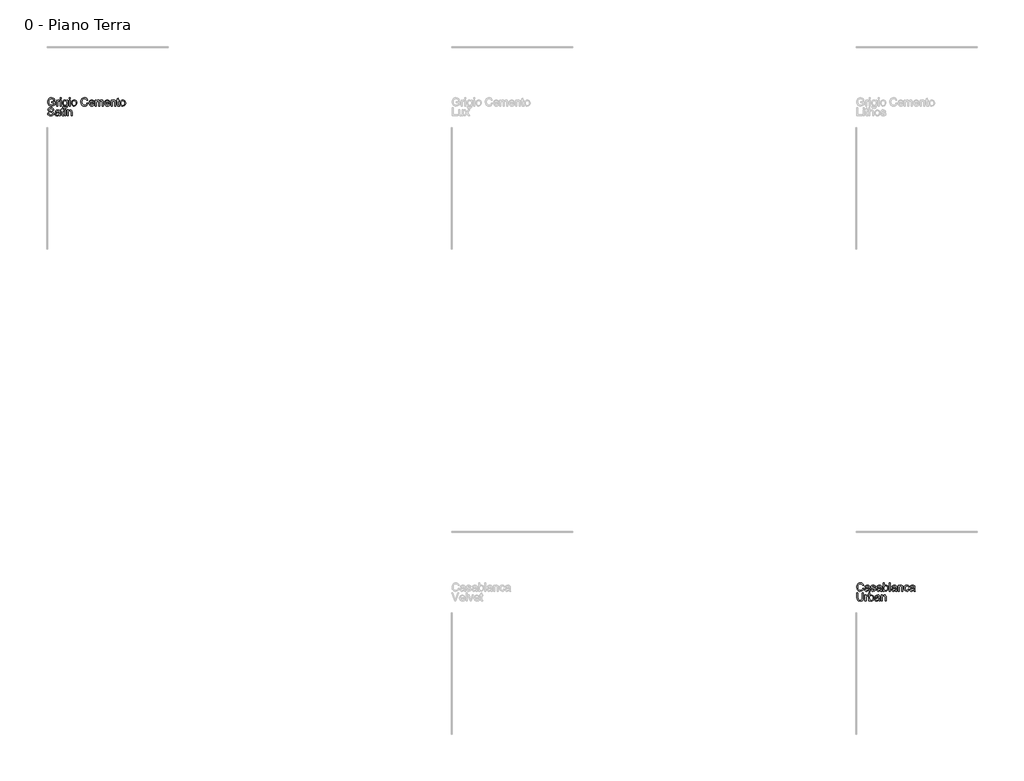
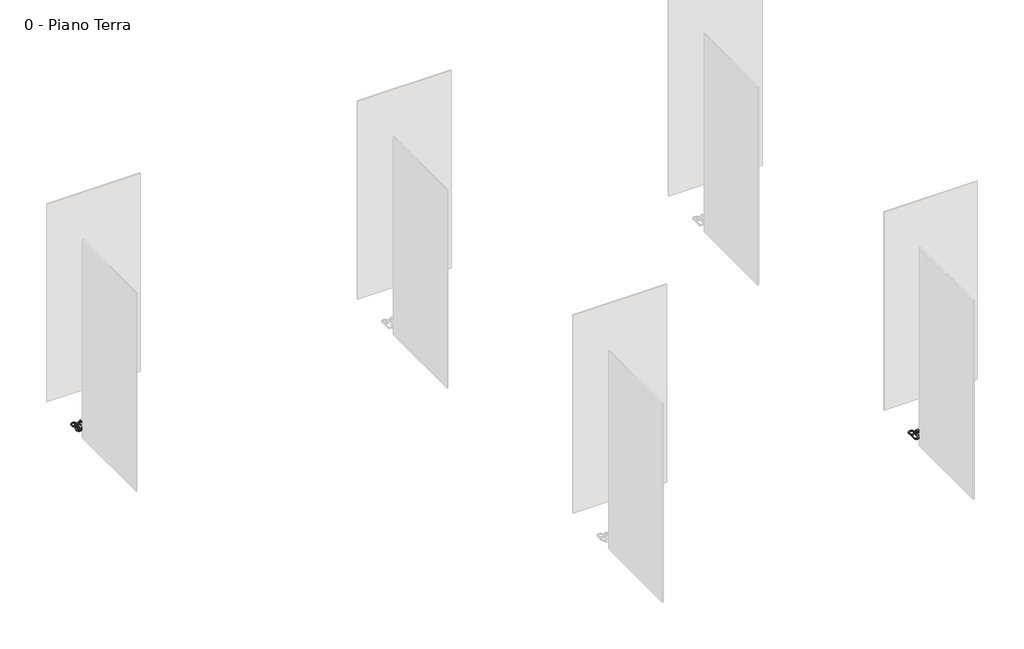
# One storey, part 20 of 35: 2 proxies.
"""IFC4 building model written with IfcOpenShell, lengths in millimetres."""

from ifc_helpers import new_model, si_unit, origin, origin_with_axes, place, context, project, spatial, polyline, outline, extrude, element, save

model = new_model("IFC4")

# Units and contexts
model_context = context("Model", 3, world=origin())
ifc_project = project(units=[si_unit("LENGTHUNIT", "METRE", prefix="MILLI")], contexts=[model_context])

# Site, building, storey
site = spatial("IfcSite", under=ifc_project)
building = spatial("IfcBuilding", under=site)
storey = spatial("IfcBuildingStorey", under=building, Name="0 - Piano Terra", Elevation=0.0)

# Proxies
placement = place(None, origin())
element("IfcBuildingElementProxy", 1, Name="Testo modello 1", ObjectType="Testo modello 1", at=placement, inside=storey, context=model_context, shape_type="SweptSolid", body=[
    extrude(outline(polyline([(2778.8181445, -60234.518489), (2778.8181445, -60221.9614502), (2819.6285205, -60221.9614502), (2819.6285205, -60259.5099392), (2799.4808499, -60271.3557394), (2778.1804823, -60275.328865), (2764.0936676, -60273.7500381), (2751.3618849, -60269.0135574), (2740.7852775, -60261.2849698), (2733.1639889, -60250.7298223), (2728.5562669, -60238.0685503), (2727.0203595, -60224.0215894), (2728.5501355, -60209.873461), (2733.1394634, -60196.7124826), (2740.5982708, -60185.6729571), (2750.7364855, -60177.8891872), (2763.0850578, -60173.2722682), (2777.1749382, -60171.7332952), (2796.8198368, -60175.3017505), (2810.5908861, -60185.2345644), (2818.1815179, -60201.8505678), (2806.6054978, -60205.1124549), (2800.8788014, -60193.4996465), (2791.0931404, -60186.8041942), (2776.9787345, -60184.2903339), (2760.9022913, -60187.000398), (2749.9639333, -60194.1127832), (2743.5014729, -60203.7880797), (2739.5773983, -60223.5065546), (2744.2985506, -60245.3955333), (2758.0328117, -60258.4921324), (2777.1749382, -60262.7718262), (2794.3550274, -60259.5467274), (2807.0714817, -60252.6673341), (2807.0714817, -60234.518489), (2778.8181445, -60234.518489)])), origin_with_axes(), (0.0, 0.0, 1.0), 10.0),
    extrude(outline(polyline([(2838.4640786, -60273.7592352), (2838.4640786, -60199.9866324), (2849.4514875, -60199.9866324), (2849.4514875, -60210.9004649), (2857.2505858, -60200.8450237), (2865.0987351, -60198.4170025), (2877.7048248, -60202.2920262), (2873.51097, -60213.5492153), (2864.6818021, -60210.9740413), (2857.5816796, -60213.4511134), (2853.0567311, -60220.318244), (2851.0211174, -60234.9844729), (2851.0211174, -60273.7592352), (2838.4640786, -60273.7592352)])), origin_with_axes(), (0.0, 0.0, 1.0), 10.0),
    extrude(outline(polyline([(2885.552974, -60185.8599638), (2885.552974, -60173.302925), (2898.1100128, -60173.302925), (2898.1100128, -60185.8599638), (2885.552974, -60185.8599638)])), origin_with_axes(), (0.0, 0.0, 1.0), 10.0),
    extrude(outline(polyline([(2885.552974, -60273.7592352), (2885.552974, -60199.9866324), (2898.1100128, -60199.9866324), (2898.1100128, -60273.7592352), (2885.552974, -60273.7592352)])), origin_with_axes(), (0.0, 0.0, 1.0), 10.0),
    extrude(outline(polyline([(2913.8063112, -60280.0377545), (2926.36335, -60281.6073844), (2930.4345774, -60288.2292603), (2942.6237342, -60291.0251635), (2955.4750785, -60287.8613783), (2961.6064451, -60278.9831595), (2962.4648365, -60264.3414561), (2953.6234058, -60271.4047904), (2942.8444634, -60273.7592352), (2929.8980828, -60271.0185143), (2920.2442461, -60262.7963517), (2914.2385726, -60250.742085), (2912.2366814, -60236.5050518), (2915.8296622, -60217.0440942), (2926.2284599, -60203.2730449), (2942.2313267, -60198.4170025), (2953.4333335, -60201.1638548), (2962.4648365, -60209.4044115), (2962.4648365, -60199.9866324), (2975.0218752, -60199.9866324), (2975.0218752, -60263.6792685), (2971.5883099, -60288.0698448), (2960.7112656, -60299.4128729), (2942.3784795, -60303.5822022), (2930.6951605, -60302.1137399), (2921.4950449, -60297.708353), (2915.5936046, -60290.3537788), (2913.8063112, -60280.0377545)]), holes=[polyline([(2924.7937201, -60235.6466605), (2926.1334237, -60247.1644326), (2930.1525345, -60255.0830925), (2936.1949963, -60259.6724204), (2943.6047528, -60261.2021964), (2950.9593271, -60259.6816175), (2957.0324457, -60255.1198807), (2961.1067388, -60247.3023883), (2962.4648365, -60236.0145424), (2961.0668849, -60225.1283011), (2956.8730301, -60217.2893489), (2950.7110067, -60212.5528682), (2943.4085491, -60210.9740413), (2936.2379159, -60212.5283427), (2930.2261109, -60217.191247), (2926.1518178, -60224.9137032), (2924.7937201, -60235.6466605)])]), origin_with_axes(), (0.0, 0.0, 1.0), 10.0),
    extrude(outline(polyline([(2993.8574334, -60185.8599638), (2993.8574334, -60173.302925), (3006.4144721, -60173.302925), (3006.4144721, -60185.8599638), (2993.8574334, -60185.8599638)])), origin_with_axes(), (0.0, 0.0, 1.0), 10.0),
    extrude(outline(polyline([(2993.8574334, -60273.7592352), (2993.8574334, -60199.9866324), (3006.4144721, -60199.9866324), (3006.4144721, -60273.7592352), (2993.8574334, -60273.7592352)])), origin_with_axes(), (0.0, 0.0, 1.0), 10.0),
    extrude(outline(polyline([(3022.1107706, -60236.8729338), (3024.826966, -60219.0858393), (3032.9755522, -60206.5839828), (3043.0432561, -60200.4587476), (3055.0975228, -60198.4170025), (3068.289158, -60200.9032717), (3078.8259115, -60208.3620791), (3085.732896, -60220.2048137), (3088.0352241, -60235.8428642), (3083.9639967, -60258.185564), (3072.1059337, -60270.8284419), (3055.0975228, -60275.328865), (3041.7464721, -60272.8517929), (3031.2219813, -60265.4205766), (3024.3885733, -60253.3295217), (3022.1107706, -60236.8729338)]), holes=[polyline([(3034.6678094, -60236.8484083), (3036.1209433, -60248.2128963), (3040.4803449, -60256.3093658), (3047.0409071, -60261.1562111), (3055.0975228, -60262.7718262), (3063.1173503, -60261.1470141), (3069.6656498, -60256.2725776), (3074.0250515, -60248.0688092), (3075.4781854, -60236.4560008), (3074.0158544, -60225.4226067), (3069.6288616, -60217.4365017), (3063.0713651, -60212.5896564), (3055.0975228, -60210.9740413), (3047.0409071, -60212.583525), (3040.4803449, -60217.4119762), (3036.1209433, -60225.4900517), (3034.6678094, -60236.8484083)])]), origin_with_axes(), (0.0, 0.0, 1.0), 10.0),
    extrude(outline(polyline([(3213.6056118, -60238.0501562), (3226.1626506, -60241.2875177), (3220.3685092, -60255.9200241), (3211.2756925, -60266.6100617), (3199.3317904, -60273.1491642), (3184.9843926, -60275.328865), (3170.4193313, -60273.6795274), (3158.8525082, -60268.7315146), (3149.9865521, -60260.6565048), (3143.5240917, -60249.6261763), (3138.2633792, -60222.7707906), (3139.7502356, -60208.1229558), (3144.2108048, -60195.4739466), (3151.4120949, -60185.2253673), (3161.1211138, -60177.7788226), (3172.6358203, -60173.244677), (3185.2541727, -60171.7332952), (3199.0221564, -60173.6892011), (3210.4050385, -60179.5569189), (3219.0471997, -60188.974698), (3224.5930207, -60201.5807877), (3212.035982, -60204.5728946), (3201.7352861, -60189.1341135), (3184.7636634, -60184.2903339), (3165.1187649, -60189.6614111), (3154.0209913, -60204.0823853), (3150.820418, -60222.7462652), (3154.6096025, -60244.3777265), (3166.4063518, -60258.1978268), (3183.7335938, -60262.7718262), (3194.215165, -60261.2144591), (3202.9492967, -60256.5423578), (3209.5435815, -60248.8045731), (3213.6056118, -60238.0501562)])), origin_with_axes(), (0.0, 0.0, 1.0), 10.0),
    extrude(outline(polyline([(3293.5095812, -60251.7844173), (3305.8213653, -60253.3540472), (3301.3853216, -60262.6308048), (3294.3066588, -60269.5653804), (3284.7447926, -60273.8879938), (3272.8591385, -60275.328865), (3258.1254646, -60272.8425958), (3246.7885678, -60265.3837884), (3239.5596866, -60253.4368206), (3237.1500595, -60237.4860704), (3239.5842121, -60220.9988257), (3246.8866697, -60208.6686475), (3258.0702823, -60200.9799138), (3272.1479, -60198.4170025), (3285.787125, -60200.9737824), (3296.6856291, -60208.644122), (3303.8317368, -60220.9497747), (3306.2137727, -60237.412494), (3306.1401963, -60240.7970084), (3249.7070983, -60240.7970084), (3251.8806677, -60250.1963934), (3256.9298481, -60257.1064435), (3264.2169773, -60261.3554805), (3273.1043932, -60262.7718262), (3285.4161773, -60260.1476013), (3293.5095812, -60251.7844173)]), holes=[polyline([(3249.7070983, -60228.2399696), (3293.656734, -60228.2399696), (3288.6290134, -60216.8601532), (3281.3081617, -60212.4455693), (3272.0988491, -60210.9740413), (3256.6355425, -60215.6706681), (3251.7703031, -60221.1613069), (3249.7070983, -60228.2399696)])]), origin_with_axes(), (0.0, 0.0, 1.0), 10.0),
    extrude(outline(polyline([(3318.7708115, -60273.7592352), (3318.7708115, -60199.9866324), (3331.3278503, -60199.9866324), (3331.3278503, -60212.1267382), (3339.9608144, -60202.1816616), (3352.2480731, -60198.4170025), (3364.8296373, -60202.255238), (3371.7458188, -60213.009655), (3381.5437426, -60202.0651657), (3393.9168404, -60198.4170025), (3403.3560793, -60199.9345158), (3410.3366401, -60204.4870555), (3414.6500565, -60212.1972489), (3416.087862, -60223.1877235), (3416.087862, -60273.7592352), (3403.5308232, -60273.7592352), (3403.5308232, -60228.5833261), (3402.3658635, -60218.0986893), (3398.1474833, -60212.9360786), (3390.9737844, -60210.9740413), (3378.6252121, -60216.0017619), (3374.9371951, -60222.5439301), (3373.7078561, -60232.1149933), (3373.7078561, -60273.7592352), (3361.1508174, -60273.7592352), (3361.1508174, -60227.1853746), (3358.2445496, -60215.0207433), (3348.7164059, -60210.9740413), (3339.4212542, -60213.6718426), (3333.2408367, -60221.5690428), (3331.3278503, -60236.5541027), (3331.3278503, -60273.7592352), (3318.7708115, -60273.7592352)])), origin_with_axes(), (0.0, 0.0, 1.0), 10.0),
    extrude(outline(polyline([(3486.5740522, -60251.7844173), (3498.8858364, -60253.3540472), (3494.4497926, -60262.6308048), (3487.3711299, -60269.5653804), (3477.8092637, -60273.8879938), (3465.9236096, -60275.328865), (3451.1899357, -60272.8425958), (3439.8530389, -60265.3837884), (3432.6241577, -60253.4368206), (3430.2145306, -60237.4860704), (3432.6486831, -60220.9988257), (3439.9511407, -60208.6686475), (3451.1347534, -60200.9799138), (3465.2123711, -60198.4170025), (3478.851596, -60200.9737824), (3489.7501001, -60208.644122), (3496.8962079, -60220.9497747), (3499.2782438, -60237.412494), (3499.2046674, -60240.7970084), (3442.7715694, -60240.7970084), (3444.9451388, -60250.1963934), (3449.9943192, -60257.1064435), (3457.2814484, -60261.3554805), (3466.1688642, -60262.7718262), (3478.4806484, -60260.1476013), (3486.5740522, -60251.7844173)]), holes=[polyline([(3442.7715694, -60228.2399696), (3486.721205, -60228.2399696), (3481.6934844, -60216.8601532), (3474.3726327, -60212.4455693), (3465.1633201, -60210.9740413), (3449.7000136, -60215.6706681), (3444.8347742, -60221.1613069), (3442.7715694, -60228.2399696)])]), origin_with_axes(), (0.0, 0.0, 1.0), 10.0),
    extrude(outline(polyline([(3511.8352826, -60273.7592352), (3511.8352826, -60199.9866324), (3524.3923213, -60199.9866324), (3524.3923213, -60210.2873283), (3533.9940414, -60201.384584), (3547.1029032, -60198.4170025), (3558.9609662, -60200.8082355), (3567.0543701, -60207.0867549), (3570.8190291, -60216.320593), (3571.4812167, -60228.4606988), (3571.4812167, -60273.7592352), (3558.924178, -60273.7592352), (3558.924178, -60230.152956), (3557.4771754, -60219.0429197), (3552.3636157, -60213.1690705), (3543.7429143, -60210.9740413), (3530.1190177, -60215.90366), (3525.8239954, -60223.0467021), (3524.3923213, -60234.6165909), (3524.3923213, -60273.7592352), (3511.8352826, -60273.7592352)])), origin_with_axes(), (0.0, 0.0, 1.0), 10.0),
    extrude(outline(polyline([(3615.4308524, -60263.286861), (3617.0004823, -60274.1271171), (3607.6072287, -60275.328865), (3597.0858036, -60273.2442004), (3591.8373538, -60267.7750214), (3590.3167749, -60253.5257254), (3590.3167749, -60212.5436712), (3580.8989958, -60212.5436712), (3580.8989958, -60199.9866324), (3590.3167749, -60199.9866324), (3590.3167749, -60182.0585165), (3602.8738137, -60174.6763511), (3602.8738137, -60199.9866324), (3615.4308524, -60199.9866324), (3615.4308524, -60212.5436712), (3602.8738137, -60212.5436712), (3602.8738137, -60253.1578434), (3603.5360012, -60259.6325665), (3605.6819796, -60261.9256976), (3609.9616734, -60262.7718262), (3615.4308524, -60263.286861)])), origin_with_axes(), (0.0, 0.0, 1.0), 10.0),
    extrude(outline(polyline([(3624.8486315, -60236.8729338), (3627.5648269, -60219.0858393), (3635.7134131, -60206.5839828), (3645.781117, -60200.4587476), (3657.8353837, -60198.4170025), (3671.0270189, -60200.9032717), (3681.5637724, -60208.3620791), (3688.4707569, -60220.2048137), (3690.773085, -60235.8428642), (3686.7018576, -60258.185564), (3674.8437946, -60270.8284419), (3657.8353837, -60275.328865), (3644.484333, -60272.8517929), (3633.9598422, -60265.4205766), (3627.1264342, -60253.3295217), (3624.8486315, -60236.8729338)]), holes=[polyline([(3637.4056703, -60236.8484083), (3638.8588041, -60248.2128963), (3643.2182058, -60256.3093658), (3649.778768, -60261.1562111), (3657.8353837, -60262.7718262), (3665.8552112, -60261.1470141), (3672.4035107, -60256.2725776), (3676.7629124, -60248.0688092), (3678.2160463, -60236.4560008), (3676.7537153, -60225.4226067), (3672.3667225, -60217.4365017), (3665.809226, -60212.5896564), (3657.8353837, -60210.9740413), (3649.778768, -60212.583525), (3643.2182058, -60217.4119762), (3638.8588041, -60225.4900517), (3637.4056703, -60236.8484083)])]), origin_with_axes(), (0.0, 0.0, 1.0), 10.0),
    extrude(outline(polyline([(2727.0203595, -60361.2021964), (2739.5773983, -60361.2021964), (2743.6241003, -60373.7714979), (2753.5078632, -60381.717749), (2768.5664995, -60384.7466441), (2781.687624, -60382.453513), (2790.1611726, -60376.1504681), (2792.9448131, -60367.7259704), (2790.8601484, -60359.8900839), (2782.3252861, -60354.187913), (2764.041551, -60349.3931843), (2744.3598642, -60343.2005041), (2733.6790236, -60333.8563014), (2730.1596192, -60321.372839), (2734.5128895, -60307.1603313), (2747.2293438, -60297.1294156), (2765.8441728, -60293.708113), (2785.7098005, -60297.2888311), (2798.9535523, -60307.8102561), (2803.932222, -60323.5310801), (2791.3751832, -60323.5310801), (2789.0697894, -60316.0385501), (2784.262798, -60310.6306848), (2766.3346821, -60306.2651518), (2748.3575153, -60310.5816338), (2742.716658, -60321.004957), (2746.714309, -60329.7114976), (2767.2175989, -60336.725781), (2789.4376714, -60343.0288258), (2801.59004, -60353.2068944), (2805.5018518, -60367.4071394), (2801.0014288, -60382.4289875), (2788.0519825, -60393.391871), (2769.0570089, -60397.3036828), (2746.6284699, -60393.0853026), (2732.4404876, -60380.3811111), (2727.0203595, -60361.2021964)])), origin_with_axes(), (0.0, 0.0, 1.0), 10.0),
    extrude(outline(polyline([(2869.8566755, -60386.3162739), (2857.6797815, -60394.8266107), (2844.2275632, -60397.3036828), (2833.7337293, -60395.8137608), (2825.992879, -60391.3439945), (2821.2196101, -60384.5565717), (2819.6285205, -60376.1136799), (2822.0320162, -60366.1808661), (2828.3473237, -60358.9703789), (2837.1397034, -60354.8501006), (2848.004485, -60352.9616397), (2869.7830991, -60348.6451576), (2869.8566755, -60345.8492545), (2866.3985848, -60336.5786282), (2852.5171708, -60332.9488592), (2839.8129793, -60335.3646176), (2833.7551891, -60343.9362681), (2821.1981503, -60342.3666382), (2826.6305411, -60330.1039051), (2837.5688991, -60322.9179434), (2854.1358516, -60320.3918204), (2869.3539035, -60322.6236378), (2877.9500794, -60328.2277069), (2881.8005776, -60336.7503064), (2882.4137143, -60347.7377154), (2882.4137143, -60363.3604374), (2883.0513764, -60385.1758397), (2885.552974, -60395.734053), (2872.9959352, -60395.734053), (2869.8566755, -60386.3162739)]), holes=[polyline([(2869.8566755, -60361.2021964), (2849.5986403, -60365.0526946), (2838.7951724, -60367.0883083), (2833.9023419, -60370.3992463), (2832.1855592, -60375.2307631), (2835.9256928, -60382.0243173), (2846.900839, -60384.7466441), (2859.6050306, -60381.7422744), (2867.7965364, -60374.4704737), (2869.7830991, -60364.758389), (2869.8566755, -60361.2021964)])]), origin_with_axes(), (0.0, 0.0, 1.0), 10.0),
    extrude(outline(polyline([(2926.36335, -60385.2616789), (2927.9329798, -60396.101935), (2918.5397262, -60397.3036828), (2908.0183012, -60395.2190182), (2902.7698514, -60389.7498392), (2901.2492725, -60375.5005433), (2901.2492725, -60334.518489), (2891.8314934, -60334.518489), (2891.8314934, -60321.9614502), (2901.2492725, -60321.9614502), (2901.2492725, -60304.0333343), (2913.8063112, -60296.651169), (2913.8063112, -60321.9614502), (2926.36335, -60321.9614502), (2926.36335, -60334.518489), (2913.8063112, -60334.518489), (2913.8063112, -60375.1326613), (2914.4684988, -60381.6073844), (2916.6144771, -60383.9005155), (2920.894171, -60384.7466441), (2926.36335, -60385.2616789)])), origin_with_axes(), (0.0, 0.0, 1.0), 10.0),
    extrude(outline(polyline([(2938.9203888, -60307.8347816), (2938.9203888, -60295.2777428), (2951.4774275, -60295.2777428), (2951.4774275, -60307.8347816), (2938.9203888, -60307.8347816)])), origin_with_axes(), (0.0, 0.0, 1.0), 10.0),
    extrude(outline(polyline([(2938.9203888, -60395.734053), (2938.9203888, -60321.9614502), (2951.4774275, -60321.9614502), (2951.4774275, -60395.734053), (2938.9203888, -60395.734053)])), origin_with_axes(), (0.0, 0.0, 1.0), 10.0),
    extrude(outline(polyline([(2970.3129857, -60395.734053), (2970.3129857, -60321.9614502), (2982.8700244, -60321.9614502), (2982.8700244, -60332.2621461), (2992.4717445, -60323.3594018), (3005.5806063, -60320.3918204), (3017.4386693, -60322.7830534), (3025.5320732, -60329.0615727), (3029.2967322, -60338.2954108), (3029.9589198, -60350.4355167), (3029.9589198, -60395.734053), (3017.4018811, -60395.734053), (3017.4018811, -60352.1277738), (3015.9548785, -60341.0177376), (3010.8413188, -60335.1438884), (3002.2206174, -60332.9488592), (2988.5967208, -60337.8784779), (2984.3016985, -60345.02152), (2982.8700244, -60356.5914087), (2982.8700244, -60395.734053), (2970.3129857, -60395.734053)])), origin_with_axes(), (0.0, 0.0, 1.0), 10.0),
])
element("IfcBuildingElementProxy", 2, Name="Testo modello 1", ObjectType="Testo modello 1", at=placement, inside=storey, context=model_context, shape_type="SweptSolid", body=[
    extrude(outline(polyline([(12802.3625921, -66238.0501562), (12814.9196309, -66241.2875177), (12809.1254895, -66255.9200241), (12800.0326728, -66266.6100617), (12788.0887707, -66273.1491642), (12773.7413729, -66275.328865), (12759.1763116, -66273.6795274), (12747.6094885, -66268.7315146), (12738.7435325, -66260.6565048), (12732.2810721, -66249.6261763), (12727.0203595, -66222.7707906), (12728.5072159, -66208.1229558), (12732.9677851, -66195.4739466), (12740.1690752, -66185.2253673), (12749.8780942, -66177.7788226), (12761.3928006, -66173.244677), (12774.0111531, -66171.7332952), (12787.7791367, -66173.6892011), (12799.1620188, -66179.5569189), (12807.80418, -66188.974698), (12813.3500011, -66201.5807877), (12800.7929623, -66204.5728946), (12790.4922664, -66189.1341135), (12773.5206437, -66184.2903339), (12753.8757452, -66189.6614111), (12742.7779717, -66204.0823853), (12739.5773983, -66222.7462652), (12743.3665829, -66244.3777265), (12755.1633322, -66258.1978268), (12772.4905741, -66262.7718262), (12782.9721453, -66261.2144591), (12791.706277, -66256.5423578), (12798.3005618, -66248.8045731), (12802.3625921, -66238.0501562)])), origin_with_axes(), (0.0, 0.0, 1.0), 10.0),
    extrude(outline(polyline([(12877.7048248, -66264.3414561), (12865.5279307, -66272.8517929), (12852.0757124, -66275.328865), (12841.5818785, -66273.8389429), (12833.8410282, -66269.3691767), (12829.0677593, -66262.5817539), (12827.4766697, -66254.1388621), (12829.8801654, -66244.2060482), (12836.195473, -66236.9955611), (12844.9878527, -66232.8752828), (12855.8526342, -66230.9868218), (12877.6312484, -66226.6703398), (12877.7048248, -66223.8744366), (12874.246734, -66214.6038103), (12860.3653201, -66210.9740413), (12847.6611285, -66213.3897997), (12841.6033383, -66221.9614502), (12829.0462995, -66220.3918204), (12834.4786903, -66208.1290872), (12845.4170483, -66200.9431256), (12861.9840008, -66198.4170025), (12877.2020527, -66200.64882), (12885.7982287, -66206.252889), (12889.6487269, -66214.7754886), (12890.2618635, -66225.7628975), (12890.2618635, -66241.3856196), (12890.8995257, -66263.2010219), (12893.4011232, -66273.7592352), (12880.8440845, -66273.7592352), (12877.7048248, -66264.3414561)]), holes=[polyline([(12877.7048248, -66239.2273785), (12857.4467896, -66243.0778768), (12846.6433216, -66245.1134905), (12841.7504911, -66248.4244284), (12840.0337085, -66253.2559453), (12843.7738421, -66260.0494995), (12854.7489883, -66262.7718262), (12867.4531798, -66259.7674566), (12875.6446856, -66252.4956558), (12877.6312484, -66242.7835712), (12877.7048248, -66239.2273785)])]), origin_with_axes(), (0.0, 0.0, 1.0), 10.0),
    extrude(outline(polyline([(12902.8189023, -66251.7844173), (12915.3759411, -66250.2147875), (12921.1884766, -66259.5344647), (12934.5058048, -66262.7718262), (12947.3080982, -66259.8042448), (12951.4774275, -66252.8390124), (12947.2835728, -66247.1981551), (12934.358652, -66243.617437), (12915.4495175, -66237.4738077), (12907.196698, -66230.3001088), (12904.3885321, -66220.1710912), (12906.644875, -66210.8146258), (12912.8007671, -66203.6654523), (12920.7838064, -66199.9498442), (12931.5872743, -66198.4170025), (12946.8666399, -66200.8818119), (12956.5787245, -66207.5527388), (12960.8952066, -66218.8221905), (12948.3381678, -66220.3918204), (12943.6170156, -66213.4633761), (12932.568293, -66210.9740413), (12920.5508145, -66213.3530115), (12916.9455709, -66218.8957669), (12918.4416244, -66222.5500614), (12923.1259884, -66225.3214391), (12933.9417191, -66227.994715), (12952.372607, -66233.9053523), (12960.9319948, -66240.6008047), (12964.0344663, -66251.5146372), (12960.3924345, -66263.5321157), (12949.8832722, -66272.250919), (12934.3341266, -66275.328865), (12921.6728546, -66273.8450743), (12912.4328851, -66269.3937021), (12906.2647303, -66262.0237995), (12902.8189023, -66251.7844173)])), origin_with_axes(), (0.0, 0.0, 1.0), 10.0),
    extrude(outline(polyline([(13025.2500303, -66264.3414561), (13013.0731363, -66272.8517929), (12999.620918, -66275.328865), (12989.1270841, -66273.8389429), (12981.3862337, -66269.3691767), (12976.6129648, -66262.5817539), (12975.0218752, -66254.1388621), (12977.4253709, -66244.2060482), (12983.7406785, -66236.9955611), (12992.5330582, -66232.8752828), (13003.3978398, -66230.9868218), (13025.1764539, -66226.6703398), (13025.2500303, -66223.8744366), (13021.7919395, -66214.6038103), (13007.9105256, -66210.9740413), (12995.206334, -66213.3897997), (12989.1485438, -66221.9614502), (12976.5915051, -66220.3918204), (12982.0238959, -66208.1290872), (12992.9622539, -66200.9431256), (13009.5292064, -66198.4170025), (13024.7472582, -66200.64882), (13033.3434342, -66206.252889), (13037.1939324, -66214.7754886), (13037.8070691, -66225.7628975), (13037.8070691, -66241.3856196), (13038.4447312, -66263.2010219), (13040.9463288, -66273.7592352), (13028.38929, -66273.7592352), (13025.2500303, -66264.3414561)]), holes=[polyline([(13025.2500303, -66239.2273785), (13004.9919951, -66243.0778768), (12994.1885272, -66245.1134905), (12989.2956966, -66248.4244284), (12987.578914, -66253.2559453), (12991.3190476, -66260.0494995), (13002.2941938, -66262.7718262), (13014.9983854, -66259.7674566), (13023.1898911, -66252.4956558), (13025.1764539, -66242.7835712), (13025.2500303, -66239.2273785)])]), origin_with_axes(), (0.0, 0.0, 1.0), 10.0),
    extrude(outline(polyline([(13067.6300361, -66273.7592352), (13055.0729974, -66273.7592352), (13055.0729974, -66173.302925), (13067.6300361, -66173.302925), (13067.6300361, -66210.5571084), (13076.4224158, -66201.452029), (13087.3485111, -66198.4170025), (13099.9300753, -66201.151592), (13109.6912109, -66208.8403257), (13115.6876874, -66220.7964906), (13117.8581912, -66235.7692878), (13115.6110454, -66252.532444), (13108.8696078, -66265.0036437), (13098.9766478, -66272.7475597), (13087.2749347, -66275.328865), (13076.1097161, -66271.9995329), (13067.6300361, -66262.0115368), (13067.6300361, -66273.7592352)]), holes=[polyline([(13067.6300361, -66236.357899), (13071.0636014, -66253.9181329), (13077.6425578, -66260.5584029), (13086.1958142, -66262.7718262), (13093.4430895, -66261.1408827), (13099.6357697, -66256.2480522), (13103.8848068, -66248.1239915), (13105.3011524, -66236.7993574), (13103.9430547, -66225.3091764), (13099.8687616, -66217.2770862), (13093.8692194, -66212.5498025), (13086.7353744, -66210.9740413), (13079.4880991, -66212.6049848), (13073.2954189, -66217.4978154), (13069.0463818, -66225.4747233), (13067.6300361, -66236.357899)])]), origin_with_axes(), (0.0, 0.0, 1.0), 10.0),
    extrude(outline(polyline([(13131.9848598, -66273.7592352), (13131.9848598, -66173.302925), (13144.5418986, -66173.302925), (13144.5418986, -66273.7592352), (13131.9848598, -66273.7592352)])), origin_with_axes(), (0.0, 0.0, 1.0), 10.0),
    extrude(outline(polyline([(13210.4663521, -66264.3414561), (13198.2894581, -66272.8517929), (13184.8372398, -66275.328865), (13174.3434059, -66273.8389429), (13166.6025556, -66269.3691767), (13161.8292867, -66262.5817539), (13160.2381971, -66254.1388621), (13162.6416928, -66244.2060482), (13168.9570003, -66236.9955611), (13177.74938, -66232.8752828), (13188.6141616, -66230.9868218), (13210.3927757, -66226.6703398), (13210.4663521, -66223.8744366), (13207.0082614, -66214.6038103), (13193.1268474, -66210.9740413), (13180.4226559, -66213.3897997), (13174.3648657, -66221.9614502), (13161.8078269, -66220.3918204), (13167.2402177, -66208.1290872), (13178.1785757, -66200.9431256), (13194.7455282, -66198.4170025), (13209.9635801, -66200.64882), (13218.559756, -66206.252889), (13222.4102542, -66214.7754886), (13223.0233909, -66225.7628975), (13223.0233909, -66241.3856196), (13223.661053, -66263.2010219), (13226.1626506, -66273.7592352), (13213.6056118, -66273.7592352), (13210.4663521, -66264.3414561)]), holes=[polyline([(13210.4663521, -66239.2273785), (13190.2083169, -66243.0778768), (13179.404849, -66245.1134905), (13174.5120185, -66248.4244284), (13172.7952358, -66253.2559453), (13176.5353694, -66260.0494995), (13187.5105156, -66262.7718262), (13200.2147072, -66259.7674566), (13208.406213, -66252.4956558), (13210.3927757, -66242.7835712), (13210.4663521, -66239.2273785)])]), origin_with_axes(), (0.0, 0.0, 1.0), 10.0),
    extrude(outline(polyline([(13240.2893192, -66273.7592352), (13240.2893192, -66199.9866324), (13252.846358, -66199.9866324), (13252.846358, -66210.2873283), (13262.4480781, -66201.384584), (13275.5569398, -66198.4170025), (13287.4150028, -66200.8082355), (13295.5084067, -66207.0867549), (13299.2730658, -66216.320593), (13299.9352534, -66228.4606988), (13299.9352534, -66273.7592352), (13287.3782146, -66273.7592352), (13287.3782146, -66230.152956), (13285.9312121, -66219.0429197), (13280.8176523, -66213.1690705), (13272.1969509, -66210.9740413), (13258.5730544, -66215.90366), (13254.2780321, -66223.0467021), (13252.846358, -66234.6165909), (13252.846358, -66273.7592352), (13240.2893192, -66273.7592352)])), origin_with_axes(), (0.0, 0.0, 1.0), 10.0),
    extrude(outline(polyline([(13364.290077, -66247.0755278), (13376.8471158, -66248.6451576), (13373.3461055, -66259.8134419), (13366.7671491, -66268.253268), (13357.7295148, -66273.5599657), (13346.8524705, -66275.328865), (13333.4952884, -66272.8609899), (13323.0505054, -66265.4573648), (13316.3090678, -66253.442952), (13314.061922, -66237.1427139), (13317.9001575, -66216.2838048), (13329.5988049, -66202.8806374), (13346.6807922, -66198.4170025), (13357.2911221, -66199.9498442), (13365.7738678, -66204.5483691), (13371.8592491, -66211.9673227), (13375.277486, -66221.9614502), (13362.7204472, -66223.5310801), (13356.8956489, -66214.1255637), (13346.7788941, -66210.9740413), (13338.6640304, -66212.5252771), (13332.2230298, -66217.1789843), (13328.019978, -66225.1865491), (13326.6189607, -66236.7993574), (13327.9893212, -66248.5685155), (13332.1004025, -66256.6036714), (13338.4249071, -66261.2297875), (13346.4355375, -66262.7718262), (13358.2690751, -66258.921328), (13364.290077, -66247.0755278)])), origin_with_axes(), (0.0, 0.0, 1.0), 10.0),
    extrude(outline(polyline([(13434.9234201, -66264.3414561), (13422.7465261, -66272.8517929), (13409.2943078, -66275.328865), (13398.8004739, -66273.8389429), (13391.0596236, -66269.3691767), (13386.2863547, -66262.5817539), (13384.695265, -66254.1388621), (13387.0987607, -66244.2060482), (13393.4140683, -66236.9955611), (13402.206448, -66232.8752828), (13413.0712296, -66230.9868218), (13434.8498437, -66226.6703398), (13434.9234201, -66223.8744366), (13431.4653294, -66214.6038103), (13417.5839154, -66210.9740413), (13404.8797239, -66213.3897997), (13398.8219337, -66221.9614502), (13386.2648949, -66220.3918204), (13391.6972857, -66208.1290872), (13402.6356437, -66200.9431256), (13419.2025962, -66198.4170025), (13434.4206481, -66200.64882), (13443.016824, -66206.252889), (13446.8673222, -66214.7754886), (13447.4804589, -66225.7628975), (13447.4804589, -66241.3856196), (13448.118121, -66263.2010219), (13450.6197186, -66273.7592352), (13438.0626798, -66273.7592352), (13434.9234201, -66264.3414561)]), holes=[polyline([(13434.9234201, -66239.2273785), (13414.6653849, -66243.0778768), (13403.861917, -66245.1134905), (13398.9690865, -66248.4244284), (13397.2523038, -66253.2559453), (13400.9924374, -66260.0494995), (13411.9675836, -66262.7718262), (13424.6717752, -66259.7674566), (13432.8632809, -66252.4956558), (13434.8498437, -66242.7835712), (13434.9234201, -66239.2273785)])]), origin_with_axes(), (0.0, 0.0, 1.0), 10.0),
    extrude(outline(polyline([(12797.6537026, -66295.2777428), (12810.2107414, -66295.2777428), (12810.2107414, -66353.2314198), (12806.8017016, -66377.2541141), (12794.5144429, -66391.7241392), (12784.2505353, -66395.9087969), (12771.2152499, -66397.3036828), (12748.2716761, -66392.4476405), (12740.6319934, -66386.5032806), (12735.5429591, -66378.3822856), (12731.7292491, -66353.2314198), (12731.7292491, -66295.2777428), (12744.2862878, -66295.2777428), (12744.2862878, -66352.7899614), (12746.7633599, -66371.9320879), (12755.2736968, -66381.4111807), (12770.0380275, -66384.7466441), (12782.8096641, -66383.0973065), (12791.3016068, -66378.1492936), (12796.0656787, -66368.5107854), (12797.6537026, -66352.7899614), (12797.6537026, -66295.2777428)])), origin_with_axes(), (0.0, 0.0, 1.0), 10.0),
    extrude(outline(polyline([(12830.6159294, -66395.734053), (12830.6159294, -66321.9614502), (12841.6033383, -66321.9614502), (12841.6033383, -66332.8752828), (12849.4024366, -66322.8198416), (12857.2505858, -66320.3918204), (12869.8566755, -66324.2668441), (12865.6628208, -66335.5240331), (12856.8336529, -66332.9488592), (12849.7335304, -66335.4259313), (12845.2085819, -66342.2930618), (12843.1729681, -66356.9592907), (12843.1729681, -66395.734053), (12830.6159294, -66395.734053)])), origin_with_axes(), (0.0, 0.0, 1.0), 10.0),
    extrude(outline(polyline([(12890.2618635, -66395.734053), (12877.7048248, -66395.734053), (12877.7048248, -66295.2777428), (12890.2618635, -66295.2777428), (12890.2618635, -66332.5319262), (12899.0542432, -66323.4268468), (12909.9803385, -66320.3918204), (12922.5619027, -66323.1264099), (12932.3230383, -66330.8151436), (12938.3195148, -66342.7713084), (12940.4900186, -66357.7441056), (12938.2428728, -66374.5072619), (12931.5014352, -66386.9784615), (12921.6084752, -66394.7223775), (12909.9067621, -66397.3036828), (12898.7415435, -66393.9743508), (12890.2618635, -66383.9863546), (12890.2618635, -66395.734053)]), holes=[polyline([(12890.2618635, -66358.3327168), (12893.6954288, -66375.8929507), (12900.2743852, -66382.5332207), (12908.8276416, -66384.7466441), (12916.0749169, -66383.1157006), (12922.2675971, -66378.22287), (12926.5166342, -66370.0988093), (12927.9329798, -66358.7741752), (12926.5748821, -66347.2839942), (12922.500589, -66339.251904), (12916.5010468, -66334.5246204), (12909.3672018, -66332.9488592), (12902.1199265, -66334.5798027), (12895.9272463, -66339.4726332), (12891.6782092, -66347.4495411), (12890.2618635, -66358.3327168)])]), origin_with_axes(), (0.0, 0.0, 1.0), 10.0),
    extrude(outline(polyline([(13001.7055826, -66386.3162739), (12989.5286886, -66394.8266107), (12976.0764703, -66397.3036828), (12965.5826364, -66395.8137608), (12957.841786, -66391.3439945), (12953.0685172, -66384.5565717), (12951.4774275, -66376.1136799), (12953.8809232, -66366.1808661), (12960.1962308, -66358.9703789), (12968.9886105, -66354.8501006), (12979.8533921, -66352.9616397), (13001.6320062, -66348.6451576), (13001.7055826, -66345.8492545), (12998.2474918, -66336.5786282), (12984.3660779, -66332.9488592), (12971.6618863, -66335.3646176), (12965.6040961, -66343.9362681), (12953.0470574, -66342.3666382), (12958.4794482, -66330.1039051), (12969.4178062, -66322.9179434), (12985.9847587, -66320.3918204), (13001.2028105, -66322.6236378), (13009.7989865, -66328.2277069), (13013.6494847, -66336.7503064), (13014.2626214, -66347.7377154), (13014.2626214, -66363.3604374), (13014.9002835, -66385.1758397), (13017.4018811, -66395.734053), (13004.8448423, -66395.734053), (13001.7055826, -66386.3162739)]), holes=[polyline([(13001.7055826, -66361.2021964), (12981.4475474, -66365.0526946), (12970.6440795, -66367.0883083), (12965.7512489, -66370.3992463), (12964.0344663, -66375.2307631), (12967.7745999, -66382.0243173), (12978.7497461, -66384.7466441), (12991.4539377, -66381.7422744), (12999.6454434, -66374.4704737), (13001.6320062, -66364.758389), (13001.7055826, -66361.2021964)])]), origin_with_axes(), (0.0, 0.0, 1.0), 10.0),
    extrude(outline(polyline([(13031.5285497, -66395.734053), (13031.5285497, -66321.9614502), (13044.0855884, -66321.9614502), (13044.0855884, -66332.2621461), (13053.6873085, -66323.3594018), (13066.7961703, -66320.3918204), (13078.6542333, -66322.7830534), (13086.7476372, -66329.0615727), (13090.5122962, -66338.2954108), (13091.1744838, -66350.4355167), (13091.1744838, -66395.734053), (13078.6174451, -66395.734053), (13078.6174451, -66352.1277738), (13077.1704425, -66341.0177376), (13072.0568828, -66335.1438884), (13063.4361814, -66332.9488592), (13049.8122848, -66337.8784779), (13045.5172625, -66345.02152), (13044.0855884, -66356.5914087), (13044.0855884, -66395.734053), (13031.5285497, -66395.734053)])), origin_with_axes(), (0.0, 0.0, 1.0), 10.0),
])

save(model, "model.ifc")
